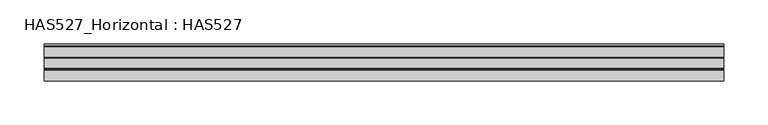
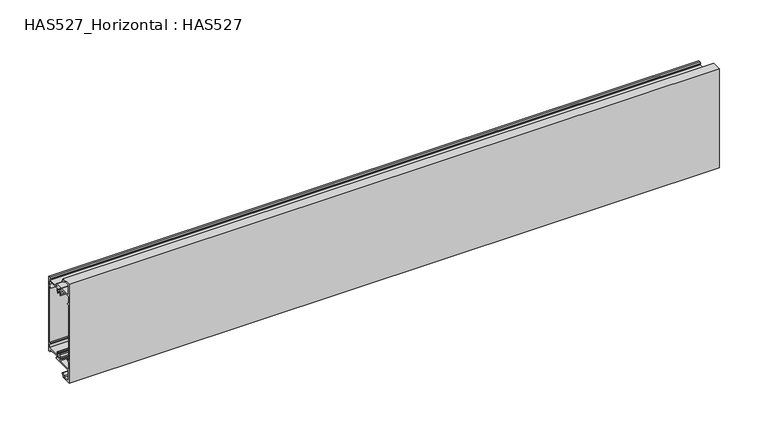
"""IFC4 building model written with IfcOpenShell, lengths in millimetres: beam geometry, HAS527_Horizontal : HAS527."""

import ifcopenshell
import ifcopenshell.guid

model = None  # the IFC model being written
_history = None  # IfcOwnerHistory: only IFC2X3 demands one
_inside = {}  # id of a spatial element -> (the spatial element, [elements in it])
_under = {}  # id of a project, library or spatial element -> (it, [spatial elements below it])
_declared = {}  # id of a project -> (the project, [libraries it declares])
_typed = {}  # id of a type object -> (the type object, [elements of that type])
_made_of = {}  # id of a material, layer set ... -> (it, [elements and type objects made of it])


def new_model(schema):
    """Start an empty IFC model of exactly this schema.

    Asked for "IFC4X3", IfcOpenShell would pick the latest addendum, in which some entities
    have other attributes; the version numbers below select the first issue.
    IFC2X3 requires an IfcOwnerHistory on every rooted entity: one is made here for all.
    """
    global model, _history
    if schema == "IFC4X3":
        model = ifcopenshell.file(schema_version=(4, 3, 0, 0))
    else:
        model = ifcopenshell.file(schema=schema)
    _inside.clear()
    _under.clear()
    _declared.clear()
    _typed.clear()
    _made_of.clear()
    _history = None
    if model.schema == "IFC2X3":
        org = make("IfcOrganization", Name="unknown")
        user = make(
            "IfcPersonAndOrganization",
            ThePerson=make("IfcPerson", FamilyName="unknown"),
            TheOrganization=org,
        )
        app = make(
            "IfcApplication",
            ApplicationDeveloper=org,
            Version="unknown",
            ApplicationFullName="unknown",
            ApplicationIdentifier="unknown",
        )
        _history = make(
            "IfcOwnerHistory",
            OwningUser=user,
            OwningApplication=app,
            ChangeAction="ADDED",
            CreationDate=0,
        )
    return model


def make(cls, **values):
    """One entity of the class cls with the attributes given. An attribute that is None is left unset."""
    return model.create_entity(
        cls, **{name: value for name, value in values.items() if value is not None}
    )


def rooted(cls, **values):
    """An entity with a GlobalId (a new one), such as an element, a storey or a relation."""
    return make(cls, GlobalId=ifcopenshell.guid.new(), OwnerHistory=_history, **values)


def si_unit(unit_type, name, prefix=None):
    """IfcSIUnit, for example si_unit("LENGTHUNIT", "METRE", prefix="MILLI")."""
    return make("IfcSIUnit", UnitType=unit_type, Prefix=prefix, Name=name)


def assignment(units):
    """IfcUnitAssignment: the units of a project."""
    return None if units is None else make("IfcUnitAssignment", Units=units)


def point(xyz):
    """IfcCartesianPoint."""
    return None if xyz is None else make("IfcCartesianPoint", Coordinates=xyz)


def direction(xyz):
    """IfcDirection."""
    return None if xyz is None else make("IfcDirection", DirectionRatios=xyz)


def frame(location, z_axis=None, x_axis=None):
    """IfcAxis2Placement3D, a coordinate frame: its origin and axes. An axis left out is left unset."""
    return make(
        "IfcAxis2Placement3D",
        Location=point(location),
        Axis=direction(z_axis),
        RefDirection=direction(x_axis),
    )


def frame_2d(location, x_axis=None):
    """IfcAxis2Placement2D, a coordinate frame in the plane: its origin and x axis."""
    return make(
        "IfcAxis2Placement2D", Location=point(location), RefDirection=direction(x_axis)
    )


def origin():
    """The frame at (0, 0, 0) with its axes left unset."""
    return frame((0.0, 0.0, 0.0))


def place(relative_to, where):
    """IfcLocalPlacement: puts the frame where relative to a parent placement (None: the world)."""
    return make(
        "IfcLocalPlacement", PlacementRelTo=relative_to, RelativePlacement=where
    )


def context(
    kind, dimensions, precision=None, world=None, true_north=None, identifier=None
):
    """IfcGeometricRepresentationContext, for example the 3D "Model" context."""
    return make(
        "IfcGeometricRepresentationContext",
        ContextIdentifier=identifier,
        ContextType=kind,
        CoordinateSpaceDimension=dimensions,
        Precision=precision,
        WorldCoordinateSystem=world,
        TrueNorth=true_north,
    )


def project(units=None, contexts=None):
    """IfcProject with its units and contexts."""
    return rooted(
        "IfcProject",
        Name="project",
        RepresentationContexts=contexts,
        UnitsInContext=assignment(units),
    )


def spatial(cls, under=None, at=None, **own):
    """A site, building, storey or space (cls), placed at a placement, below another one or the project."""
    s = rooted(cls, ObjectPlacement=at, **own)
    if under is not None:
        _under.setdefault(under.id(), (under, []))[1].append(s)
    return s


def polyline(points):
    """IfcPolyline through the points."""
    return make("IfcPolyline", Points=[point(p) for p in points])


def circle_curve(where, radius):
    """IfcCircle in the frame where."""
    return make("IfcCircle", Position=where, Radius=radius)


def trimmed(basis, trim1, trim2, sense, master):
    """IfcTrimmedCurve: the piece of a basis curve between two trims."""
    return make(
        "IfcTrimmedCurve",
        BasisCurve=basis,
        Trim1=trim1,
        Trim2=trim2,
        SenseAgreement=sense,
        MasterRepresentation=master,
    )


def segment(curve, same_sense, transition):
    """IfcCompositeCurveSegment."""
    return make(
        "IfcCompositeCurveSegment",
        Transition=transition,
        SameSense=same_sense,
        ParentCurve=curve,
    )


def composite_curve(segments, self_intersect=None):
    """IfcCompositeCurve: segments joined end to end."""
    return make("IfcCompositeCurve", Segments=segments, SelfIntersect=self_intersect)


def outline(outer, holes=None, kind="AREA"):
    """IfcArbitraryClosedProfileDef: a profile drawn as a closed curve; with holes, ...WithVoids."""
    if holes is None:
        return make("IfcArbitraryClosedProfileDef", ProfileType=kind, OuterCurve=outer)
    return make(
        "IfcArbitraryProfileDefWithVoids",
        ProfileType=kind,
        OuterCurve=outer,
        InnerCurves=holes,
    )


def extrude(swept, where, along, depth):
    """IfcExtrudedAreaSolid: the profile swept, set in the frame where, extruded along a direction by depth."""
    return make(
        "IfcExtrudedAreaSolid",
        SweptArea=swept,
        Position=where,
        ExtrudedDirection=direction(along),
        Depth=depth,
    )


def shape(context_of_items, identifier, shape_type, items):
    """IfcShapeRepresentation: the items that make up one representation, for example the "Body"."""
    return make(
        "IfcShapeRepresentation",
        ContextOfItems=context_of_items,
        RepresentationIdentifier=identifier,
        RepresentationType=shape_type,
        Items=items,
    )


def source(mapping_origin, context_of_items, identifier, shape_type, items):
    """IfcRepresentationMap: a shape defined once, which mapped items show again and again."""
    return make(
        "IfcRepresentationMap",
        MappingOrigin=mapping_origin,
        MappedRepresentation=shape(context_of_items, identifier, shape_type, items),
    )


def transform(
    local_origin,
    x_axis=None,
    y_axis=None,
    z_axis=None,
    scale=None,
    scale2=None,
    scale3=None,
    uniform=True,
):
    """IfcCartesianTransformationOperator3D, or its non-uniform kind. x_axis, y_axis, z_axis: its Axis1, 2, 3."""
    if uniform:
        return make(
            "IfcCartesianTransformationOperator3D",
            Axis1=direction(x_axis),
            Axis2=direction(y_axis),
            LocalOrigin=point(local_origin),
            Scale=scale,
            Axis3=direction(z_axis),
        )
    return make(
        "IfcCartesianTransformationOperator3DnonUniform",
        Axis1=direction(x_axis),
        Axis2=direction(y_axis),
        LocalOrigin=point(local_origin),
        Scale=scale,
        Axis3=direction(z_axis),
        Scale2=scale2,
        Scale3=scale3,
    )


def mapped(mapping_source, mapping_target):
    """IfcMappedItem: shows the shape of a source again, moved by a transform."""
    return make(
        "IfcMappedItem", MappingSource=mapping_source, MappingTarget=mapping_target
    )


def made_of(thing, what):
    """Note that an element or type object is made of a material, layer set ...; save() writes the relation."""
    if what is not None:
        _made_of.setdefault(what.id(), (what, []))[1].append(thing)
    return thing


def element(
    cls,
    number,
    at=None,
    inside=None,
    cuts=None,
    type_object=None,
    material=None,
    context=None,
    identifier="Body",
    shape_type=None,
    held_by="IfcProductDefinitionShape",
    body=None,
    shapes=None,
    **own,
):
    """One element of the class cls, such as IfcWall. Its Tag is "e" and its number.

    at: its placement. inside: the storey or other place that contains it. cuts: it is an
    opening in that element (IfcRelVoidsElement). A single representation is given by context,
    identifier, shape_type and body (its items); several are given by shapes. held_by: the class
    of the entity that holds the representations. save() writes the other relations.
    """
    e = rooted(cls, Tag="e%d" % number, ObjectPlacement=at, **own)
    if body is not None:
        shapes = [shape(context, identifier, shape_type, body)]
    if shapes is not None:
        e.Representation = make(held_by, Representations=shapes)
    if inside is not None:
        _inside.setdefault(inside.id(), (inside, []))[1].append(e)
    if cuts is not None:
        rooted(
            "IfcRelVoidsElement", RelatingBuildingElement=cuts, RelatedOpeningElement=e
        )
    if type_object is not None:
        _typed.setdefault(type_object.id(), (type_object, []))[1].append(e)
    return made_of(e, material)


def aggregate(whole, parts):
    """IfcRelAggregates: a whole, such as a stair, and the parts it consists of."""
    return rooted("IfcRelAggregates", RelatingObject=whole, RelatedObjects=parts)


def save(model, path):
    """Write the relations noted so far, then the file.

    IfcRelAggregates (storeys below a building ...), IfcRelContainedInSpatialStructure (elements
    in a storey), IfcRelDefinesByType, IfcRelAssociatesMaterial and IfcRelDeclares: one each for
    every whole, place, type object, material and project.
    """
    for whole, parts in _under.values():
        aggregate(whole, parts)
    for where, things in _inside.values():
        rooted(
            "IfcRelContainedInSpatialStructure",
            RelatedElements=things,
            RelatingStructure=where,
        )
    for kind, things in _typed.values():
        rooted("IfcRelDefinesByType", RelatedObjects=things, RelatingType=kind)
    for what, things in _made_of.values():
        rooted("IfcRelAssociatesMaterial", RelatedObjects=things, RelatingMaterial=what)
    for by, libraries in _declared.values():
        rooted("IfcRelDeclares", RelatingContext=by, RelatedDefinitions=libraries)
    model.write(path)


def has527_horizontal_has527_5bfaa285(model_context):
    return source(origin(), model_context, "Body", "SweptSolid", [
        extrude(outline(composite_curve([segment(polyline([(-11.2914573, -120.4120603), (-7.7589301, -119.165286)]), True, "CONTINUOUS"), segment(trimmed(circle_curve(frame_2d((-7.5837899, -119.6615165)), 0.5262308), [point((-7.7589301, -119.165286))], [point((-7.0761015, -119.799977))], False, "CARTESIAN"), True, "CONTINUOUS"), segment(polyline([(-7.0761015, -119.799977), (-7.7035176, -122.1005025), (-9.1809045, -122.1005025), (-9.1809045, -124.0), (-21.0, -124.0), (-21.0, 0.0), (-9.1809045, 0.0), (-9.1809045, -1.8994975), (-7.7035176, -1.8994975), (-7.0761015, -4.200023)]), True, "CONTINUOUS"), segment(trimmed(circle_curve(frame_2d((-7.5837899, -4.3384835)), 0.5262308), [point((-7.0761015, -4.200023))], [point((-7.7589301, -4.834714))], False, "CARTESIAN"), True, "CONTINUOUS"), segment(polyline([(-7.7589301, -4.834714), (-11.2914573, -3.5879397), (-11.2914573, -1.6884422), (-19.1005025, -1.6884422), (-19.1005025, -15.1959799), (4.7714413, -15.1959799)]), True, "CONTINUOUS"), segment(trimmed(circle_curve(frame_2d((4.7714413, -15.8431064)), 0.6471265), [point((4.7714413, -15.1959799))], [point((4.9492206, -16.465334))], False, "CARTESIAN"), True, "CONTINUOUS"), segment(polyline([(4.9492206, -16.465334), (3.4824121, -16.8844221), (3.4824121, -18.7839196), (18.3211371, -18.7839196)]), True, "CONTINUOUS"), segment(trimmed(circle_curve(frame_2d((18.3211371, -18.2587153)), 0.5252043), [point((18.3211371, -18.7839196))], [point((18.7485134, -17.9534464))], True, "CARTESIAN"), True, "CONTINUOUS"), segment(polyline([(18.7485134, -17.9534464), (17.7744382, -16.5897412), (18.8894472, -15.1959799), (21.0, -15.1959799), (21.0, -108.8040201), (18.8894472, -108.8040201), (17.7744382, -107.4102588), (18.7485134, -106.0465536)]), True, "CONTINUOUS"), segment(trimmed(circle_curve(frame_2d((18.3211371, -105.7412847)), 0.5252043), [point((18.7485134, -106.0465536))], [point((18.3211371, -105.2160804))], True, "CARTESIAN"), True, "CONTINUOUS"), segment(polyline([(18.3211371, -105.2160804), (3.4824121, -105.2160804), (3.4824121, -107.1155779), (4.9492206, -107.534666)]), True, "CONTINUOUS"), segment(trimmed(circle_curve(frame_2d((4.7714413, -108.1568936)), 0.6471265), [point((4.9492206, -107.534666))], [point((4.7714413, -108.8040201))], False, "CARTESIAN"), True, "CONTINUOUS"), segment(polyline([(4.7714413, -108.8040201), (-19.1005025, -108.8040201), (-19.1005025, -122.3115578), (-11.2914573, -122.3115578), (-11.2914573, -120.4120603)]), True, "CONTINUOUS")], self_intersect=False), holes=[composite_curve([segment(polyline([(19.1005025, -96.7738693), (19.1005025, -27.2261307), (16.1457286, -27.2261307), (19.1005025, -24.2713568), (19.1005025, -20.4723618), (4.601005, -20.4723618), (4.3266332, -23.2160804), (3.2713568, -24.9045226), (2.2160804, -25.1155779), (1.5829146, -24.4824121), (1.7939698, -23.4271357), (2.4271357, -21.7386935), (1.7939698, -20.0502513), (0.1055276, -19.2060302), (-1.7939698, -20.0502513), (-2.4271357, -21.7386935), (-1.7939698, -23.4271357), (-1.5829146, -24.4824121), (-2.2160804, -25.1155779), (-3.2713568, -24.9045226), (-4.3266332, -22.5829146), (-4.1155779, -20.0502513), (-2.300295, -17.7811477)]), True, "CONTINUOUS"), segment(trimmed(circle_curve(frame_2d((-2.6298452, -17.5175075)), 0.4220302), [point((-2.300295, -17.7811477))], [point((-2.6298452, -17.0954774))], True, "CARTESIAN"), True, "CONTINUOUS"), segment(polyline([(-2.6298452, -17.0954774), (-19.1005025, -17.0954774), (-19.1005025, -24.2713568), (-16.1457286, -27.2261307), (-19.1005025, -27.2261307), (-19.1005025, -96.7738693), (-16.1457286, -96.7738693), (-19.1005025, -99.7286432), (-19.1005025, -106.9045226), (-2.6298452, -106.9045226)]), True, "CONTINUOUS"), segment(trimmed(circle_curve(frame_2d((-2.6298452, -106.4824925)), 0.4220302), [point((-2.6298452, -106.9045226))], [point((-2.300295, -106.2188523))], True, "CARTESIAN"), True, "CONTINUOUS"), segment(polyline([(-2.300295, -106.2188523), (-4.1155779, -103.9497487), (-4.3266332, -101.4170854), (-3.2713568, -99.0954774), (-2.2160804, -98.8844221), (-1.5829146, -99.5175879), (-1.7939698, -100.5728643), (-2.4271357, -102.2613065), (-1.7939698, -103.9497487), (0.1055276, -104.7939698), (1.7939698, -103.9497487), (2.4271357, -102.2613065), (1.7939698, -100.5728643), (1.5829146, -99.5175879), (2.2160804, -98.8844221), (3.2713568, -99.0954774), (4.3266332, -100.7839196), (4.601005, -103.5276382), (19.1005025, -103.5276382), (19.1005025, -99.7286432), (16.1457286, -96.7738693), (19.1005025, -96.7738693)]), True, "CONTINUOUS")], self_intersect=False)]), frame((-386.0, 0.0, 0.0), z_axis=(1.0, 0.0, 0.0), x_axis=(0.0, 1.0, 0.0)), (0.0, 0.0, 1.0), 772.0),
    ])


if __name__ == "__main__":
    model = new_model("IFC4")
    model_context = context("Model", 3, world=origin())
    ifc_project = project(units=[si_unit("LENGTHUNIT", "METRE", prefix="MILLI")], contexts=[model_context])
    site = spatial("IfcSite", under=ifc_project)
    building = spatial("IfcBuilding", under=site)
    placement = place(None, origin())
    has527_horizontal_has527_shape = has527_horizontal_has527_5bfaa285(model_context)
    element("IfcBeam", 1, ObjectType="HAS527_Horizontal : HAS527", at=placement, inside=building, context=model_context, shape_type="MappedRepresentation", body=[
        mapped(has527_horizontal_has527_shape, transform((0.0, 0.0, 0.0), x_axis=(1.0, 0.0, 0.0), y_axis=(0.0, 1.0, 0.0), z_axis=(0.0, 0.0, 1.0))),
    ])
    save(model, "model.ifc")
